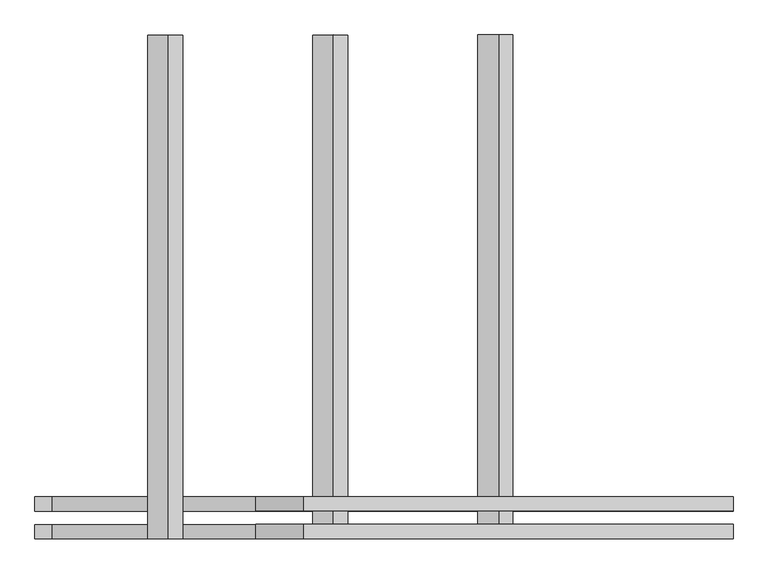
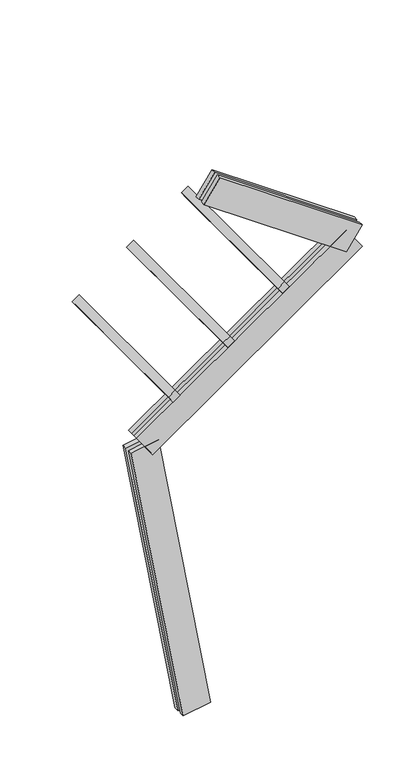
"""IFC4 building model written with IfcOpenShell, lengths in millimetres: proxy geometry."""

from ifc_helpers import new_model, si_unit, frame, origin, place, context, project, spatial, polyline, outline, extrude, source, transform, mapped, element, save


def generic_models_e512b799(model_context):
    return source(origin(), model_context, "Body", "SweptSolid", [
        extrude(outline(polyline([(1500.0, 0.0), (0.0, 0.0), (0.0, 75.0), (1500.0, 75.0), (1500.0, 0.0)])), frame((-151.4499132, -62.5, 3033.8237459), z_axis=(-0.5735764363510457, 0.0, 0.8191520442889921), x_axis=(0.0, 1.0, 0.0)), (0.0, 0.0, 1.0), 75.0),
        extrude(outline(polyline([(1500.0, 0.0), (0.0, 0.0), (0.0, 75.0), (1500.0, 75.0), (1500.0, 0.0)])), frame((340.0413134, -62.5, 3377.9696077), z_axis=(-0.5735764363510457, 0.0, 0.8191520442889921), x_axis=(0.0, 1.0, 0.0)), (0.0, 0.0, 1.0), 75.0),
        extrude(outline(polyline([(1500.0, 0.0), (0.0, 0.0), (0.0, 75.0), (1500.0, 75.0), (1500.0, 0.0)])), frame((831.5325399, -62.5, 3722.1154696), z_axis=(-0.5735764363510457, 0.0, 0.8191520442889921), x_axis=(0.0, 1.0, 0.0)), (0.0, 0.0, 1.0), 75.0),
        extrude(outline(polyline([(1560.0, 125.0), (1560.0, 82.5), (0.0, 82.5), (0.0, 125.0), (1560.0, 125.0)])), frame((1343.5025676, 62.5, 3875.8127312), z_axis=(0.5735764363510478, 0.0, 0.8191520442889907), x_axis=(-0.8191520442889907, 0.0, 0.5735764363510478)), (0.0, 0.0, 1.0), 250.0),
        extrude(outline(polyline([(0.0, 0.0), (0.0, 42.5), (1560.0, 42.5), (1560.0, 0.0), (0.0, 0.0)])), frame((1343.5025676, 62.5, 3875.8127312), z_axis=(0.5735764363510478, 0.0, 0.8191520442889907), x_axis=(-0.8191520442889907, 0.0, 0.5735764363510478)), (0.0, 0.0, 1.0), 250.0),
        extrude(outline(polyline([(2300.0, 125.0), (2300.0, 82.5), (0.0, 82.5), (0.0, 125.0), (2300.0, 125.0)])), frame((1486.8966767, 62.5, 3875.8127312), z_axis=(-0.5735764363510457, 0.0, 0.8191520442889921), x_axis=(-0.8191520442889921, 0.0, -0.5735764363510457)), (0.0, 0.0, 1.0), 250.0),
        extrude(outline(polyline([(0.0, 0.0), (0.0, 42.5), (2300.0, 42.5), (2300.0, 0.0), (0.0, 0.0)])), frame((1486.8966767, 62.5, 3875.8127312), z_axis=(-0.5735764363510457, 0.0, 0.8191520442889921), x_axis=(-0.8191520442889921, 0.0, -0.5735764363510457)), (0.0, 0.0, 1.0), 250.0),
        extrude(outline(polyline([(-125.0, 249.9999999), (-82.5, 249.9999999), (-82.5, 0.0), (-125.0, 0.0), (-125.0, 249.9999999)])), frame((123.1009691, 62.5, 21.7060222), z_axis=(-0.17364817766693158, 0.0, 0.9848077530122079), x_axis=(0.0, 1.0, 0.0)), (0.0, 0.0, 1.0), 2700.0),
        extrude(outline(polyline([(0.0, 0.0), (-42.5, 0.0), (-42.5, 249.9999999), (0.0, 249.9999999), (0.0, 0.0)])), frame((123.1009691, 62.5, 21.7060222), z_axis=(-0.17364817766693158, 0.0, 0.9848077530122079), x_axis=(0.0, 1.0, 0.0)), (0.0, 0.0, 1.0), 2700.0),
    ])


if __name__ == "__main__":
    model = new_model("IFC4")
    model_context = context("Model", 3, world=origin())
    ifc_project = project(units=[si_unit("LENGTHUNIT", "METRE", prefix="MILLI")], contexts=[model_context])
    site = spatial("IfcSite", under=ifc_project)
    building = spatial("IfcBuilding", under=site)
    placement = place(None, origin())
    generic_models_shape = generic_models_e512b799(model_context)
    element("IfcBuildingElementProxy", 1, Name="Generic Models", at=placement, inside=building, context=model_context, shape_type="MappedRepresentation", body=[
        mapped(generic_models_shape, transform((0.0, 0.0, 0.0), x_axis=(1.0, 0.0, 0.0), y_axis=(0.0, 1.0, 0.0), z_axis=(0.0, 0.0, 1.0))),
    ])
    save(model, "model.ifc")
